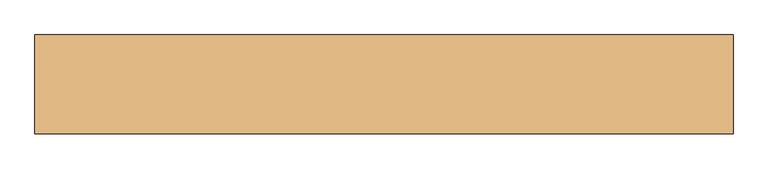
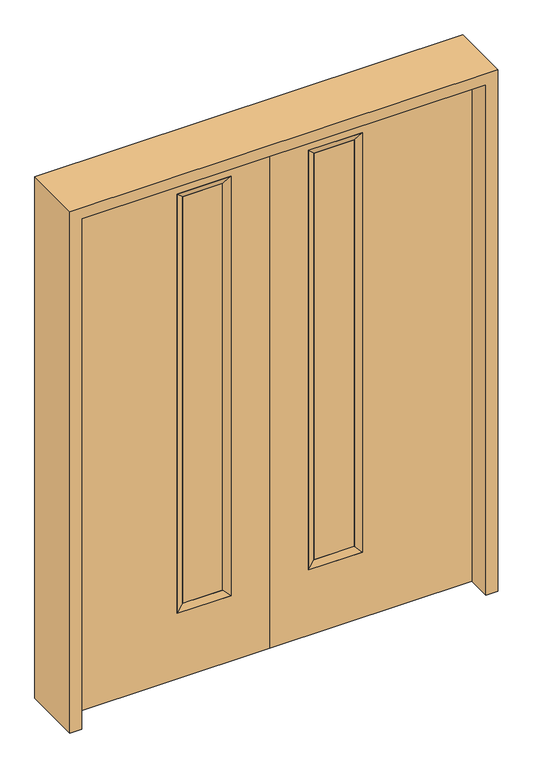
"""IFC4 building model written with IfcOpenShell, lengths in millimetres: door geometry."""

from ifc_helpers import new_model, si_unit, frame, origin, place, context, project, spatial, polyline, outline, extrude, faceted_brep, source, transform, mapped, element, save


def door_a6da915d(model_context):
    return source(origin(), model_context, "Body", "SolidModel", [
        faceted_brep([(-349.25, 22.225, 1930.4), (-349.25, 22.225, 260.35), (-349.25, -22.225, 260.35), (-349.25, -22.225, 1930.4), (-323.85, -12.7039749, 285.75), (-323.85, -12.7039749, 1905.0), (-146.05, 22.225, 260.35), (-146.05, -22.225, 260.35), (-323.85, 14.2875, 1905.0), (-323.85, 14.2875, 285.75), (-171.45, -12.7039749, 285.75), (-171.45, 14.2875, 285.75), (-146.05, 22.225, 1930.4), (-146.05, -22.225, 1930.4), (-171.45, -12.7039749, 1905.0), (-171.45, 14.2875, 1905.0)], [[[0, 1, 2, 3]], [[3, 2, 4, 5]], [[1, 6, 7, 2]], [[8, 9, 1, 0]], [[5, 4, 9, 8]], [[4, 10, 11, 9]], [[2, 7, 10, 4]], [[6, 12, 13, 7]], [[9, 11, 6, 1]], [[10, 14, 15, 11]], [[7, 13, 14, 10]], [[11, 15, 12, 6]], [[12, 0, 3, 13]], [[14, 5, 8, 15]], [[13, 3, 5, 14]], [[15, 8, 0, 12]]]),
        extrude(outline(polyline([(2032.0, 0.0), (2032.0, -762.0), (0.0, -762.0), (0.0, 0.0), (2032.0, 0.0)]), holes=[polyline([(1930.4, -349.25), (1930.4, -146.05), (260.35, -146.05), (260.35, -349.25), (1930.4, -349.25)])]), frame((0.0, -22.225, 0.0), z_axis=(0.0, 1.0, 0.0), x_axis=(0.0, 0.0, 1.0)), (0.0, 0.0, 1.0), 44.45),
        extrude(outline(polyline([(-323.85, -12.7039749), (-323.85, 14.2875), (-171.45, 14.2875), (-171.45, -12.7039749), (-323.85, -12.7039749)])), frame((0.0, 0.0, 285.75), z_axis=(0.0, 0.0, 1.0), x_axis=(1.0, 0.0, 0.0)), (0.0, 0.0, 1.0), 1619.25),
        faceted_brep([(349.25, 22.225, 1930.4), (349.25, -22.225, 1930.4), (349.25, -22.225, 260.35), (349.25, 22.225, 260.35), (323.85, -12.7039749, 1905.0), (323.85, -12.7039749, 285.75), (146.05, -22.225, 260.35), (146.05, 22.225, 260.35), (323.85, 14.2875, 1905.0), (323.85, 14.2875, 285.75), (171.45, 14.2875, 285.75), (171.45, -12.7039749, 285.75), (146.05, -22.225, 1930.4), (146.05, 22.225, 1930.4), (171.45, 14.2875, 1905.0), (171.45, -12.7039749, 1905.0)], [[[0, 1, 2, 3]], [[1, 4, 5, 2]], [[3, 2, 6, 7]], [[8, 0, 3, 9]], [[4, 8, 9, 5]], [[5, 9, 10, 11]], [[2, 5, 11, 6]], [[7, 6, 12, 13]], [[9, 3, 7, 10]], [[11, 10, 14, 15]], [[6, 11, 15, 12]], [[10, 7, 13, 14]], [[13, 12, 1, 0]], [[15, 14, 8, 4]], [[12, 15, 4, 1]], [[14, 13, 0, 8]]]),
        extrude(outline(polyline([(2032.0, 0.0), (0.0, 0.0), (0.0, 762.0), (2032.0, 762.0), (2032.0, 0.0)]), holes=[polyline([(1930.4, 349.25), (260.35, 349.25), (260.35, 146.05), (1930.4, 146.05), (1930.4, 349.25)])]), frame((0.0, -22.225, 0.0), z_axis=(0.0, 1.0, 0.0), x_axis=(0.0, 0.0, 1.0)), (0.0, 0.0, 1.0), 44.45),
        extrude(outline(polyline([(323.85, -12.7039749), (171.45, -12.7039749), (171.45, 14.2875), (323.85, 14.2875), (323.85, -12.7039749)])), frame((0.0, 0.0, 285.75), z_axis=(0.0, 0.0, 1.0), x_axis=(1.0, 0.0, 0.0)), (0.0, 0.0, 1.0), 1619.25),
        extrude(outline(polyline([(0.0, 762.0), (0.0, 806.45), (2076.45, 806.45), (2076.45, -806.45), (0.0, -806.45), (0.0, -762.0), (2032.0, -762.0), (2032.0, 762.0), (0.0, 762.0)])), frame((0.0, -114.3, 0.0), z_axis=(0.0, 1.0, 0.0), x_axis=(0.0, 0.0, 1.0)), (0.0, 0.0, 1.0), 228.6),
    ])


if __name__ == "__main__":
    model = new_model("IFC4")
    model_context = context("Model", 3, world=origin())
    ifc_project = project(units=[si_unit("LENGTHUNIT", "METRE", prefix="MILLI")], contexts=[model_context])
    site = spatial("IfcSite", under=ifc_project)
    building = spatial("IfcBuilding", under=site)
    placement = place(None, origin())
    door_shape = door_a6da915d(model_context)
    element("IfcDoor", 1, at=placement, inside=building, context=model_context, shape_type="MappedRepresentation", body=[
        mapped(door_shape, transform((0.0, 0.0, 0.0), x_axis=(1.0, 0.0, 0.0), y_axis=(0.0, 1.0, 0.0), z_axis=(0.0, 0.0, 1.0))),
    ])
    save(model, "model.ifc")
